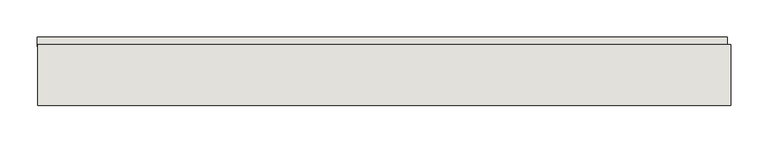
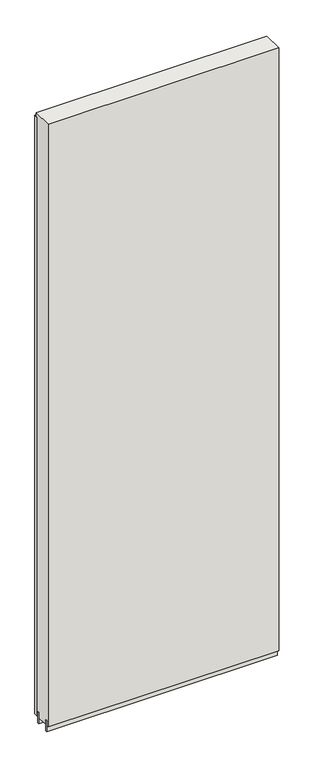
"""IFC4 building model written with IfcOpenShell, lengths in millimetres: wall geometry."""

from ifc_helpers import new_model, si_unit, frame, origin, place, context, project, spatial, polyline, outline, extrude, source, transform, mapped, element, save


def wall_213609e6(model_context):
    return source(origin(), model_context, "Body", "SweptSolid", [
        extrude(outline(polyline([(79014.4068172, -47723.144711), (79011.8668172, -47723.144711), (79011.8668172, -47720.604711), (79014.4068172, -47720.604711), (79014.4068172, -47723.144711)])), frame((0.0, 0.0, 4419.6), z_axis=(0.0, 0.0, 1.0), x_axis=(1.0, 0.0, 0.0)), (0.0, 0.0, 1.0), 2.54),
        extrude(outline(polyline([(78086.8461882, -47671.074711), (79009.9461962, -47671.074711), (79009.9461962, -47683.774711), (78086.8461882, -47683.774711), (78086.8461882, -47671.074711)])), frame((0.0, 0.0, 4445.0), z_axis=(0.0, 0.0, 1.0), x_axis=(1.0, 0.0, 0.0)), (0.0, 0.0, 1.0), 2545.0498756),
        extrude(outline(polyline([(79014.3956666, -47696.78167), (78087.2956666, -47696.78167), (78087.2956666, -47691.6998158), (79014.3956666, -47691.6998158), (79014.3956666, -47696.78167)])), frame((0.0, 0.0, 4418.6602), z_axis=(0.0, 0.0, 1.0), x_axis=(1.0, 0.0, 0.0)), (0.0, 0.0, 1.0), 47.625),
        extrude(outline(polyline([(79014.3956666, -47696.78167), (78087.2956666, -47696.78167), (78087.2956666, -47691.6998158), (79014.3956666, -47691.6998158), (79014.3956666, -47696.78167)])), frame((0.0, 0.0, 4418.6602), z_axis=(0.0, 0.0, 1.0), x_axis=(1.0, 0.0, 0.0)), (0.0, 0.0, 1.0), 47.625),
        extrude(outline(polyline([(78087.2956666, -47746.9708508), (79014.3956666, -47746.9708508), (79014.3956666, -47752.0248158), (78087.2956666, -47752.0248158), (78087.2956666, -47746.9708508)])), frame((0.0, 0.0, 4418.6602), z_axis=(0.0, 0.0, 1.0), x_axis=(1.0, 0.0, 0.0)), (0.0, 0.0, 1.0), 47.625),
        extrude(outline(polyline([(78087.2956666, -47746.9708508), (79014.3956666, -47746.9708508), (79014.3956666, -47752.0248158), (78087.2956666, -47752.0248158), (78087.2956666, -47746.9708508)])), frame((0.0, 0.0, 4418.6602), z_axis=(0.0, 0.0, 1.0), x_axis=(1.0, 0.0, 0.0)), (0.0, 0.0, 1.0), 47.625),
        extrude(outline(polyline([(79014.3956666, -47681.2353206), (79014.3956666, -47762.514076), (78087.2956666, -47762.514076), (78087.2956666, -47681.2353206), (79014.3956666, -47681.2353206)])), frame((0.0, 0.0, 4445.0), z_axis=(0.0, 0.0, 1.0), x_axis=(1.0, 0.0, 0.0)), (0.0, 0.0, 1.0), 2562.4536762),
    ])


if __name__ == "__main__":
    model = new_model("IFC4")
    model_context = context("Model", 3, world=origin())
    ifc_project = project(units=[si_unit("LENGTHUNIT", "METRE", prefix="MILLI")], contexts=[model_context])
    site = spatial("IfcSite", under=ifc_project)
    building = spatial("IfcBuilding", under=site)
    placement = place(None, origin())
    wall_shape = wall_213609e6(model_context)
    element("IfcWall", 1, at=placement, inside=building, context=model_context, shape_type="MappedRepresentation", body=[
        mapped(wall_shape, transform((0.0, 0.0, 0.0), x_axis=(1.0, 0.0, 0.0), y_axis=(0.0, 1.0, 0.0), z_axis=(0.0, 0.0, 1.0))),
    ])
    save(model, "model.ifc")
